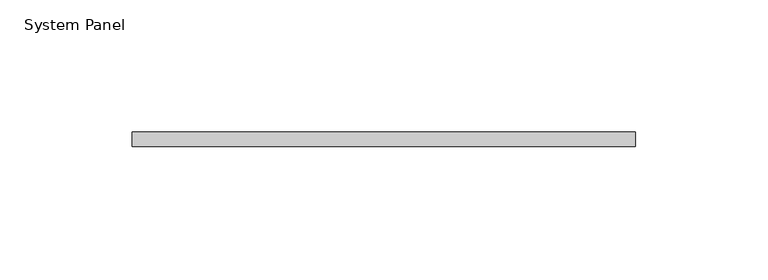
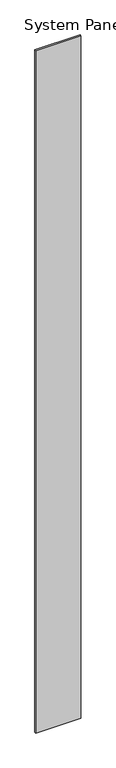
"""IFC4 building model written with IfcOpenShell, lengths in millimetres: plate geometry, System Panel."""

from ifc_helpers import new_model, si_unit, origin, origin_with_axes, place, context, project, spatial, polyline, outline, extrude, source, transform, mapped, element, save


def system_panel_6a71dc7c(model_context):
    return source(origin(), model_context, "Body", "SweptSolid", [
        extrude(outline(polyline([(95.25, -5.55625), (-95.25, -5.55625), (-95.25, 0.0), (95.25, 0.0), (95.25, -5.55625)])), origin_with_axes(), (0.0, 0.0, 1.0), 3048.0),
    ])


if __name__ == "__main__":
    model = new_model("IFC4")
    model_context = context("Model", 3, world=origin())
    ifc_project = project(units=[si_unit("LENGTHUNIT", "METRE", prefix="MILLI")], contexts=[model_context])
    site = spatial("IfcSite", under=ifc_project)
    building = spatial("IfcBuilding", under=site)
    placement = place(None, origin())
    system_panel_shape = system_panel_6a71dc7c(model_context)
    element("IfcPlate", 1, ObjectType="System Panel", at=placement, inside=building, context=model_context, shape_type="MappedRepresentation", body=[
        mapped(system_panel_shape, transform((0.0, 0.0, 0.0), x_axis=(1.0, 0.0, 0.0), y_axis=(0.0, 1.0, 0.0), z_axis=(0.0, 0.0, 1.0))),
    ])
    save(model, "model.ifc")
